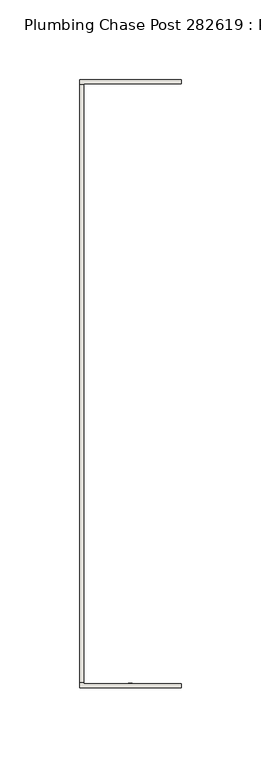
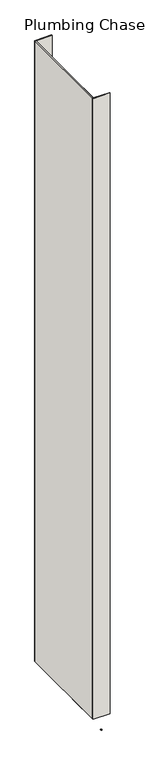
"""IFC4 building model written with IfcOpenShell, lengths in millimetres: wall geometry, Plumbing Chase Post 282619 : Plumbing Chase Post 282619."""

from ifc_helpers import new_model, si_unit, frame, origin, place, context, project, spatial, polyline, outline, extrude, source, transform, mapped, element, save


def plumbing_chase_post_282619_plumbing_chase_post_282619_1868329e(model_context):
    return source(origin(), model_context, "Body", "SweptSolid", [
        extrude(outline(polyline([(78033.282211, -55156.814375), (78033.282211, -55159.354375), (78030.742211, -55159.354375), (78030.742211, -55156.814375), (78033.282211, -55156.814375)])), frame((0.0, 0.0, 4419.6), z_axis=(0.0, 0.0, 1.0), x_axis=(1.0, 0.0, 0.0)), (0.0, 0.0, 1.0), 2.54),
        extrude(outline(polyline([(77999.9955618, -55156.6581142), (77999.9955618, -54781.0407298), (78002.6620538, -54781.0407298), (78002.6620538, -55156.6581142), (77999.9955618, -55156.6581142)])), frame((0.0, 0.0, 4474.8958), z_axis=(0.0, 0.0, 1.0), x_axis=(1.0, 0.0, 0.0)), (0.0, 0.0, 1.0), 2481.1482254),
        extrude(outline(polyline([(77999.9955618, -55156.6581142), (77999.9955618, -54781.0407298), (78002.6620538, -54781.0407298), (78002.6620538, -55156.6581142), (77999.9955618, -55156.6581142)])), frame((0.0, 0.0, 4474.8958), z_axis=(0.0, 0.0, 1.0), x_axis=(1.0, 0.0, 0.0)), (0.0, 0.0, 1.0), 2481.1482254),
        extrude(outline(polyline([(77999.9955618, -55160.1121586), (77999.9955618, -55026.7621586), (78002.6620538, -55026.7621586), (78002.6620538, -55157.4456666), (78064.0040444, -55157.4456666), (78064.0040444, -55160.1121586), (77999.9955618, -55160.1121586)])), frame((0.0, 0.0, 4474.8958), z_axis=(0.0, 0.0, 1.0), x_axis=(1.0, 0.0, 0.0)), (0.0, 0.0, 1.0), 2481.1482254),
        extrude(outline(polyline([(77999.9955618, -55160.1121586), (77999.9955618, -55026.7621586), (78002.6620538, -55026.7621586), (78002.6620538, -55157.4456666), (78064.0040444, -55157.4456666), (78064.0040444, -55160.1121586), (77999.9955618, -55160.1121586)])), frame((0.0, 0.0, 4474.8958), z_axis=(0.0, 0.0, 1.0), x_axis=(1.0, 0.0, 0.0)), (0.0, 0.0, 1.0), 2481.1482254),
        extrude(outline(polyline([(78002.6620538, -54910.9676734), (77999.9955618, -54910.9676734), (77999.9955618, -54777.6176734), (78064.0040444, -54777.6176734), (78064.0040444, -54780.2841908), (78002.6620538, -54780.2531774), (78002.6620538, -54910.9676734)])), frame((0.0, 0.0, 4474.8958), z_axis=(0.0, 0.0, 1.0), x_axis=(1.0, 0.0, 0.0)), (0.0, 0.0, 1.0), 2481.1482254),
        extrude(outline(polyline([(78002.6620538, -54910.9676734), (77999.9955618, -54910.9676734), (77999.9955618, -54777.6176734), (78064.0040444, -54777.6176734), (78064.0040444, -54780.2841908), (78002.6620538, -54780.2531774), (78002.6620538, -54910.9676734)])), frame((0.0, 0.0, 4474.8958), z_axis=(0.0, 0.0, 1.0), x_axis=(1.0, 0.0, 0.0)), (0.0, 0.0, 1.0), 2481.1482254),
    ])


if __name__ == "__main__":
    model = new_model("IFC4")
    model_context = context("Model", 3, world=origin())
    ifc_project = project(units=[si_unit("LENGTHUNIT", "METRE", prefix="MILLI")], contexts=[model_context])
    site = spatial("IfcSite", under=ifc_project)
    building = spatial("IfcBuilding", under=site)
    placement = place(None, origin())
    plumbing_chase_post_282619_plumbing_chase_post_282619_shape = plumbing_chase_post_282619_plumbing_chase_post_282619_1868329e(model_context)
    element("IfcWall", 1, ObjectType="Plumbing Chase Post 282619 : Plumbing Chase Post 282619", at=placement, inside=building, context=model_context, shape_type="MappedRepresentation", body=[
        mapped(plumbing_chase_post_282619_plumbing_chase_post_282619_shape, transform((0.0, 0.0, 0.0), x_axis=(1.0, 0.0, 0.0), y_axis=(0.0, 1.0, 0.0), z_axis=(0.0, 0.0, 1.0))),
    ])
    save(model, "model.ifc")
